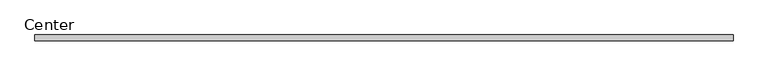
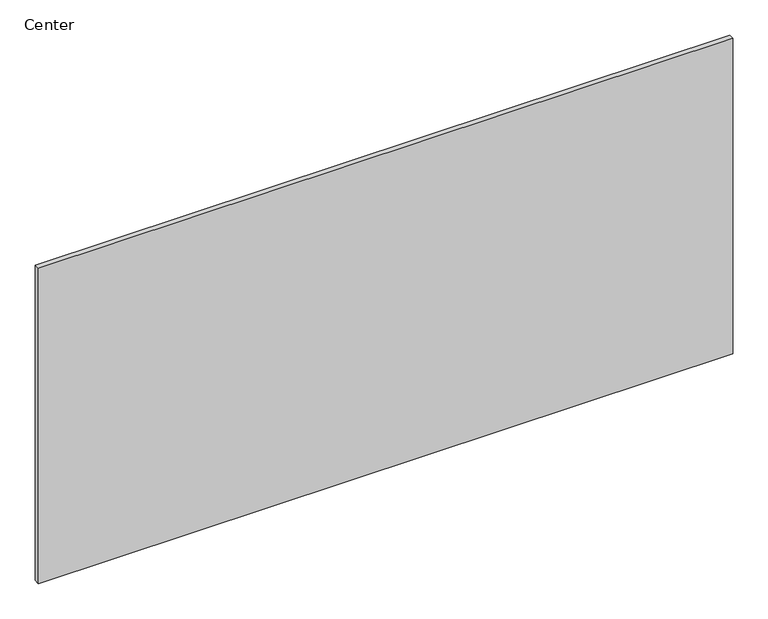
"""IFC4 building model written with IfcOpenShell, lengths in millimetres: plate geometry, Center."""

from ifc_helpers import new_model, si_unit, origin, origin_with_axes, place, context, project, spatial, polyline, outline, extrude, source, transform, mapped, element, save


def center_2748628e(model_context):
    return source(origin(), model_context, "Body", "SweptSolid", [
        extrude(outline(polyline([(584.0749999, 4.7625), (584.0749999, -4.7625), (-560.2624999, -4.7625), (-560.2624999, 4.7625), (584.0749999, 4.7625)])), origin_with_axes(), (0.0, 0.0, 1.0), 549.1624989),
    ])


if __name__ == "__main__":
    model = new_model("IFC4")
    model_context = context("Model", 3, world=origin())
    ifc_project = project(units=[si_unit("LENGTHUNIT", "METRE", prefix="MILLI")], contexts=[model_context])
    site = spatial("IfcSite", under=ifc_project)
    building = spatial("IfcBuilding", under=site)
    placement = place(None, origin())
    center_shape = center_2748628e(model_context)
    element("IfcPlate", 1, ObjectType="Center", at=placement, inside=building, context=model_context, shape_type="MappedRepresentation", body=[
        mapped(center_shape, transform((0.0, 0.0, 0.0), x_axis=(1.0, 0.0, 0.0), y_axis=(0.0, 1.0, 0.0), z_axis=(0.0, 0.0, 1.0))),
    ])
    save(model, "model.ifc")
